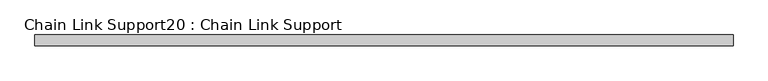
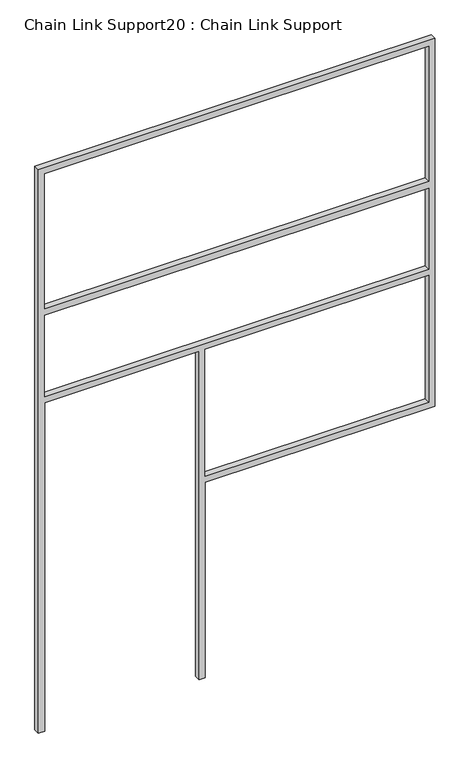
"""IFC4 building model written with IfcOpenShell, lengths in millimetres: proxy geometry, Chain Link Support20 : Chain Link Support."""

from ifc_helpers import new_model, si_unit, frame, origin, place, context, project, spatial, polyline, outline, extrude, source, transform, mapped, element, save


def chain_link_support20_chain_link_support_8029c857(model_context):
    return source(origin(), model_context, "Body", "SweptSolid", [
        extrude(outline(polyline([(3657.6, -8251.8348205), (0.0, -8251.8348205), (0.0, -8213.7348205), (2133.6, -8213.7348205), (2133.6, -7264.4098205), (0.0, -7264.4098205), (0.0, -7226.3098205), (1270.0, -7226.3098205), (1270.0, -5813.4348205), (3657.6, -5813.4348205), (3657.6, -8251.8348205)]), holes=[polyline([(2743.2, -8213.7348205), (3619.5, -8213.7348205), (3619.5, -5851.5348205), (2743.2, -5851.5348205), (2743.2, -8213.7348205)]), polyline([(1308.1, -5851.5348205), (1308.1, -7226.3098205), (2133.6, -7226.3098205), (2133.6, -5851.5348205), (1308.1, -5851.5348205)]), polyline([(2171.7, -8213.7348205), (2698.75, -8213.7348205), (2698.75, -5851.5348205), (2171.7, -5851.5348205), (2171.7, -8213.7348205)])]), frame((0.0, 15505.742683, 0.0), z_axis=(0.0, 1.0, 0.0), x_axis=(0.0, 0.0, 1.0)), (0.0, 0.0, 1.0), 38.1),
    ])


if __name__ == "__main__":
    model = new_model("IFC4")
    model_context = context("Model", 3, world=origin())
    ifc_project = project(units=[si_unit("LENGTHUNIT", "METRE", prefix="MILLI")], contexts=[model_context])
    site = spatial("IfcSite", under=ifc_project)
    building = spatial("IfcBuilding", under=site)
    placement = place(None, origin())
    chain_link_support20_chain_link_support_shape = chain_link_support20_chain_link_support_8029c857(model_context)
    element("IfcBuildingElementProxy", 1, Name="Chain Link Support20 : Chain Link Support", ObjectType="Chain Link Support20 : Chain Link Support", at=placement, inside=building, context=model_context, shape_type="MappedRepresentation", body=[
        mapped(chain_link_support20_chain_link_support_shape, transform((0.0, 0.0, 0.0), x_axis=(1.0, 0.0, 0.0), y_axis=(0.0, 1.0, 0.0), z_axis=(0.0, 0.0, 1.0))),
    ])
    save(model, "model.ifc")
